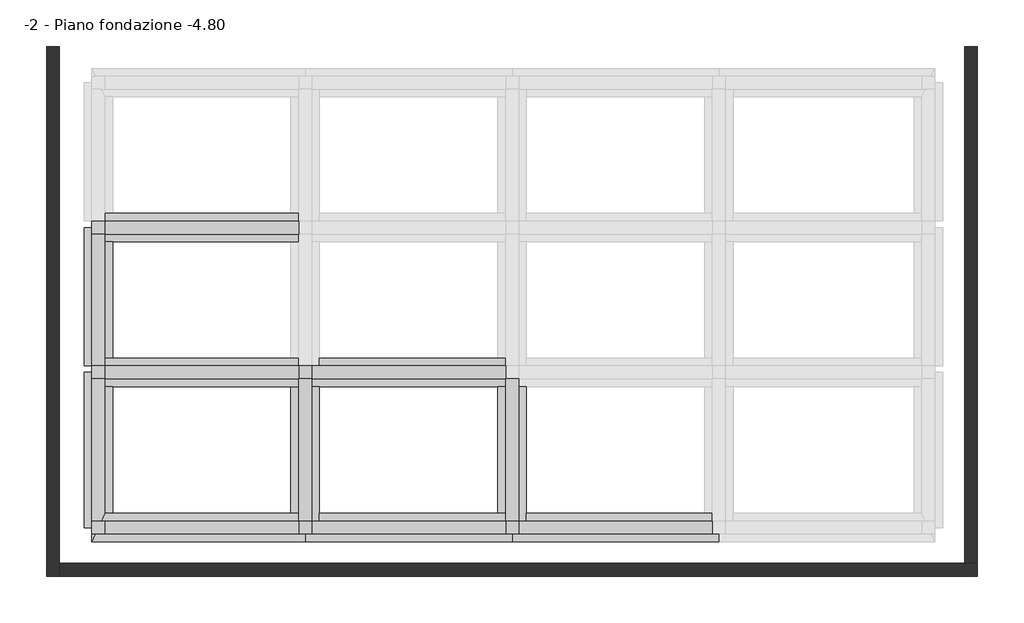
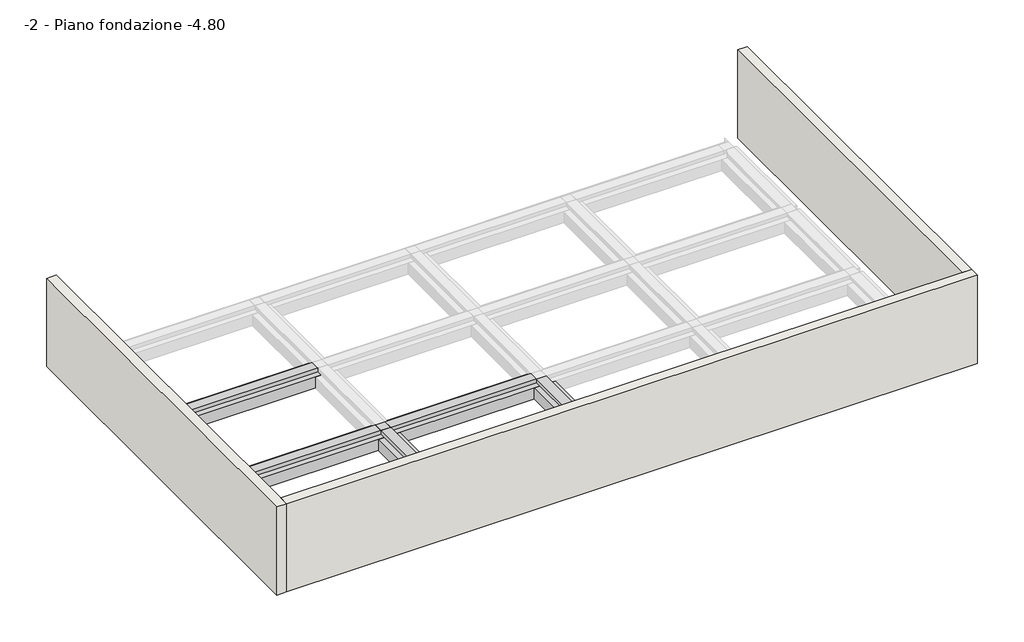
# One storey, part 1 of 3: 20 beams, 6 columns, 3 walls.
"""IFC4 building model written with IfcOpenShell, lengths in millimetres."""

import ifcopenshell
import ifcopenshell.guid

model = None  # the IFC model being written
_history = None  # IfcOwnerHistory: only IFC2X3 demands one
_inside = {}  # id of a spatial element -> (the spatial element, [elements in it])
_under = {}  # id of a project, library or spatial element -> (it, [spatial elements below it])
_declared = {}  # id of a project -> (the project, [libraries it declares])
_typed = {}  # id of a type object -> (the type object, [elements of that type])
_made_of = {}  # id of a material, layer set ... -> (it, [elements and type objects made of it])


def new_model(schema):
    """Start an empty IFC model of exactly this schema.

    Asked for "IFC4X3", IfcOpenShell would pick the latest addendum, in which some entities
    have other attributes; the version numbers below select the first issue.
    IFC2X3 requires an IfcOwnerHistory on every rooted entity: one is made here for all.
    """
    global model, _history
    if schema == "IFC4X3":
        model = ifcopenshell.file(schema_version=(4, 3, 0, 0))
    else:
        model = ifcopenshell.file(schema=schema)
    _inside.clear()
    _under.clear()
    _declared.clear()
    _typed.clear()
    _made_of.clear()
    _history = None
    if model.schema == "IFC2X3":
        org = make("IfcOrganization", Name="unknown")
        user = make(
            "IfcPersonAndOrganization",
            ThePerson=make("IfcPerson", FamilyName="unknown"),
            TheOrganization=org,
        )
        app = make(
            "IfcApplication",
            ApplicationDeveloper=org,
            Version="unknown",
            ApplicationFullName="unknown",
            ApplicationIdentifier="unknown",
        )
        _history = make(
            "IfcOwnerHistory",
            OwningUser=user,
            OwningApplication=app,
            ChangeAction="ADDED",
            CreationDate=0,
        )
    return model


def make(cls, **values):
    """One entity of the class cls with the attributes given. An attribute that is None is left unset."""
    return model.create_entity(
        cls, **{name: value for name, value in values.items() if value is not None}
    )


def rooted(cls, **values):
    """An entity with a GlobalId (a new one), such as an element, a storey or a relation."""
    return make(cls, GlobalId=ifcopenshell.guid.new(), OwnerHistory=_history, **values)


def si_unit(unit_type, name, prefix=None):
    """IfcSIUnit, for example si_unit("LENGTHUNIT", "METRE", prefix="MILLI")."""
    return make("IfcSIUnit", UnitType=unit_type, Prefix=prefix, Name=name)


def assignment(units):
    """IfcUnitAssignment: the units of a project."""
    return None if units is None else make("IfcUnitAssignment", Units=units)


def point(xyz):
    """IfcCartesianPoint."""
    return None if xyz is None else make("IfcCartesianPoint", Coordinates=xyz)


def direction(xyz):
    """IfcDirection."""
    return None if xyz is None else make("IfcDirection", DirectionRatios=xyz)


def frame(location, z_axis=None, x_axis=None):
    """IfcAxis2Placement3D, a coordinate frame: its origin and axes. An axis left out is left unset."""
    return make(
        "IfcAxis2Placement3D",
        Location=point(location),
        Axis=direction(z_axis),
        RefDirection=direction(x_axis),
    )


def origin():
    """The frame at (0, 0, 0) with its axes left unset."""
    return frame((0.0, 0.0, 0.0))


def place(relative_to, where):
    """IfcLocalPlacement: puts the frame where relative to a parent placement (None: the world)."""
    return make(
        "IfcLocalPlacement", PlacementRelTo=relative_to, RelativePlacement=where
    )


def context(
    kind, dimensions, precision=None, world=None, true_north=None, identifier=None
):
    """IfcGeometricRepresentationContext, for example the 3D "Model" context."""
    return make(
        "IfcGeometricRepresentationContext",
        ContextIdentifier=identifier,
        ContextType=kind,
        CoordinateSpaceDimension=dimensions,
        Precision=precision,
        WorldCoordinateSystem=world,
        TrueNorth=true_north,
    )


def project(units=None, contexts=None):
    """IfcProject with its units and contexts."""
    return rooted(
        "IfcProject",
        Name="project",
        RepresentationContexts=contexts,
        UnitsInContext=assignment(units),
    )


def spatial(cls, under=None, at=None, **own):
    """A site, building, storey or space (cls), placed at a placement, below another one or the project."""
    s = rooted(cls, ObjectPlacement=at, **own)
    if under is not None:
        _under.setdefault(under.id(), (under, []))[1].append(s)
    return s


def polyline(points):
    """IfcPolyline through the points."""
    return make("IfcPolyline", Points=[point(p) for p in points])


def outline(outer, holes=None, kind="AREA"):
    """IfcArbitraryClosedProfileDef: a profile drawn as a closed curve; with holes, ...WithVoids."""
    if holes is None:
        return make("IfcArbitraryClosedProfileDef", ProfileType=kind, OuterCurve=outer)
    return make(
        "IfcArbitraryProfileDefWithVoids",
        ProfileType=kind,
        OuterCurve=outer,
        InnerCurves=holes,
    )


def extrude(swept, where, along, depth):
    """IfcExtrudedAreaSolid: the profile swept, set in the frame where, extruded along a direction by depth."""
    return make(
        "IfcExtrudedAreaSolid",
        SweptArea=swept,
        Position=where,
        ExtrudedDirection=direction(along),
        Depth=depth,
    )


def faces_of(points, faces, orient=None, outer=None):
    """IfcFace entities. A face is a list of loops; a loop is a list of indices into points, from 0.

    orient and outer hold one flag for each loop. By default every Orientation is true, the
    first loop of a face is its IfcFaceOuterBound and the others are IfcFaceBound.
    """
    made = []
    for i, loops in enumerate(faces):
        bounds = []
        for j, loop in enumerate(loops):
            is_outer = j == 0 if outer is None else outer[i][j]
            bounds.append(
                make(
                    "IfcFaceOuterBound" if is_outer else "IfcFaceBound",
                    Bound=make("IfcPolyLoop", Polygon=[points[k] for k in loop]),
                    Orientation=True if orient is None else orient[i][j],
                )
            )
        made.append(make("IfcFace", Bounds=bounds))
    return made


def faceted_brep(points, faces, orient=None, outer=None, voids=None):
    """IfcFacetedBrep: a solid bounded by flat faces; with voids (closed shells), ...WithVoids."""
    shared = [point(p) for p in points]
    hull = make("IfcClosedShell", CfsFaces=faces_of(shared, faces, orient, outer))
    if voids is None:
        return make("IfcFacetedBrep", Outer=hull)
    return make(
        "IfcFacetedBrepWithVoids",
        Outer=hull,
        Voids=[
            make(cls, CfsFaces=faces_of(shared, fs, o, b)) for cls, fs, o, b in voids
        ],
    )


def shape(context_of_items, identifier, shape_type, items):
    """IfcShapeRepresentation: the items that make up one representation, for example the "Body"."""
    return make(
        "IfcShapeRepresentation",
        ContextOfItems=context_of_items,
        RepresentationIdentifier=identifier,
        RepresentationType=shape_type,
        Items=items,
    )


def made_of(thing, what):
    """Note that an element or type object is made of a material, layer set ...; save() writes the relation."""
    if what is not None:
        _made_of.setdefault(what.id(), (what, []))[1].append(thing)
    return thing


def element(
    cls,
    number,
    at=None,
    inside=None,
    cuts=None,
    type_object=None,
    material=None,
    context=None,
    identifier="Body",
    shape_type=None,
    held_by="IfcProductDefinitionShape",
    body=None,
    shapes=None,
    **own,
):
    """One element of the class cls, such as IfcWall. Its Tag is "e" and its number.

    at: its placement. inside: the storey or other place that contains it. cuts: it is an
    opening in that element (IfcRelVoidsElement). A single representation is given by context,
    identifier, shape_type and body (its items); several are given by shapes. held_by: the class
    of the entity that holds the representations. save() writes the other relations.
    """
    e = rooted(cls, Tag="e%d" % number, ObjectPlacement=at, **own)
    if body is not None:
        shapes = [shape(context, identifier, shape_type, body)]
    if shapes is not None:
        e.Representation = make(held_by, Representations=shapes)
    if inside is not None:
        _inside.setdefault(inside.id(), (inside, []))[1].append(e)
    if cuts is not None:
        rooted(
            "IfcRelVoidsElement", RelatingBuildingElement=cuts, RelatedOpeningElement=e
        )
    if type_object is not None:
        _typed.setdefault(type_object.id(), (type_object, []))[1].append(e)
    return made_of(e, material)


def aggregate(whole, parts):
    """IfcRelAggregates: a whole, such as a stair, and the parts it consists of."""
    return rooted("IfcRelAggregates", RelatingObject=whole, RelatedObjects=parts)


def save(model, path):
    """Write the relations noted so far, then the file.

    IfcRelAggregates (storeys below a building ...), IfcRelContainedInSpatialStructure (elements
    in a storey), IfcRelDefinesByType, IfcRelAssociatesMaterial and IfcRelDeclares: one each for
    every whole, place, type object, material and project.
    """
    for whole, parts in _under.values():
        aggregate(whole, parts)
    for where, things in _inside.values():
        rooted(
            "IfcRelContainedInSpatialStructure",
            RelatedElements=things,
            RelatingStructure=where,
        )
    for kind, things in _typed.values():
        rooted("IfcRelDefinesByType", RelatedObjects=things, RelatingType=kind)
    for what, things in _made_of.values():
        rooted("IfcRelAssociatesMaterial", RelatedObjects=things, RelatingMaterial=what)
    for by, libraries in _declared.values():
        rooted("IfcRelDeclares", RelatingContext=by, RelatedDefinitions=libraries)
    model.write(path)


model = new_model("IFC4")

# Units and contexts
model_context = context("Model", 3, world=origin())
ifc_project = project(units=[si_unit("LENGTHUNIT", "METRE", prefix="MILLI")], contexts=[model_context])

# Site, building, storey
site = spatial("IfcSite", under=ifc_project)
building = spatial("IfcBuilding", under=site)
storey = spatial("IfcBuildingStorey", under=building, Name="-2 - Piano fondazione -4.80", Elevation=-4800.0)

# Beams
placement = place(None, origin())
element("IfcBeam", 1, ObjectType="3M - Trave in cls - Rettangolare : 3M 1100 x600mm 2", at=placement, inside=storey, context=model_context, shape_type="Brep", body=[
    faceted_brep([(-12706.7371142, 140.094284, -4100.0), (-13256.7371142, 140.094284, -4100.0), (-20156.7371141, 140.094284, -4100.0), (-20706.7371141, 140.094284, -4100.0), (-20706.7371141, -147.205716, -4100.0), (-20706.7371141, -159.905716, -4100.0), (-20456.7371141, -159.905716, -4100.0), (-20456.7371141, -659.905716, -4100.0), (-20706.7371141, -659.905716, -4100.0), (-20706.7371141, -959.905716, -4100.0), (-20156.7371141, -959.905716, -4100.0), (-13256.7371142, -959.905716, -4100.0), (-12706.7371142, -959.905716, -4100.0), (-12706.7371142, -659.905716, -4100.0), (-12956.7371142, -659.905716, -4100.0), (-12956.7371142, -159.905716, -4100.0), (-12706.7371142, -159.905716, -4100.0), (-20706.7371141, -959.905716, -4700.0), (-20156.7371141, -959.905716, -4700.0), (-13256.7371142, -959.905716, -4700.0), (-12706.7371142, -959.905716, -4700.0), (-20706.7371141, -659.905716, -4700.0), (-20456.7371141, -659.905716, -4700.0), (-20456.7371141, -159.905716, -4700.0), (-20706.7371141, -159.905716, -4700.0), (-20706.7371141, -147.205716, -4700.0), (-20706.7371141, 140.094284, -4700.0), (-20156.7371141, 140.094284, -4700.0), (-13256.7371142, 140.094284, -4700.0), (-12706.7371142, 140.094284, -4700.0), (-12706.7371142, -159.905716, -4700.0), (-12956.7371142, -159.905716, -4700.0), (-12956.7371142, -659.905716, -4700.0), (-12706.7371142, -659.905716, -4700.0), (-20706.7371141, -159.905716, -4200.0)], [[[0, 1, 2, 3, 4, 5, 6, 7, 8, 9, 10, 11, 12, 13, 14, 15, 16]], [[12, 11, 10, 9, 17, 18, 19, 20]], [[20, 19, 18, 17, 21, 22, 23, 24, 25, 26, 27, 28, 29, 30, 31, 32, 33]], [[3, 2, 1, 0, 29, 28, 27, 26]], [[22, 7, 6, 23]], [[7, 22, 21, 8]], [[23, 6, 5, 34, 24]], [[32, 14, 13, 33]], [[14, 32, 31, 15]], [[15, 31, 30, 16]], [[3, 26, 25, 24, 34, 5, 4]], [[12, 20, 33, 13]], [[17, 9, 8, 21]], [[29, 0, 16, 30]]]),
])
element("IfcBeam", 2, ObjectType="3M - Trave in cls - Rettangolare : 3M 1100 x600mm 2", at=placement, inside=storey, context=model_context, shape_type="Brep", body=[
    faceted_brep([(-12706.7371142, -5459.905716, -4100.0), (-13256.7371142, -5459.905716, -4100.0), (-20156.7371141, -5459.905716, -4100.0), (-20706.7371141, -5459.905716, -4100.0), (-20706.7371141, -5747.205716, -4100.0), (-20706.7371141, -5759.905716, -4100.0), (-20456.7371141, -5759.905716, -4100.0), (-20456.7371141, -6259.905716, -4100.0), (-20706.7371141, -6259.905716, -4100.0), (-20706.7371141, -6559.905716, -4100.0), (-20156.7371141, -6559.905716, -4100.0), (-13256.7371142, -6559.905716, -4100.0), (-12706.7371142, -6559.905716, -4100.0), (-12706.7371142, -6259.905716, -4100.0), (-12956.7371142, -6259.905716, -4100.0), (-12956.7371142, -5759.905716, -4100.0), (-12706.7371142, -5759.905716, -4100.0), (-20706.7371141, -6559.905716, -4700.0), (-20156.7371141, -6559.905716, -4700.0), (-13256.7371142, -6559.905716, -4700.0), (-12706.7371142, -6559.905716, -4700.0), (-20706.7371141, -6259.905716, -4700.0), (-20456.7371141, -6259.905716, -4700.0), (-20456.7371141, -5759.905716, -4700.0), (-20706.7371141, -5759.905716, -4700.0), (-20706.7371141, -5747.205716, -4700.0), (-20706.7371141, -5459.905716, -4700.0), (-20156.7371141, -5459.905716, -4700.0), (-13256.7371142, -5459.905716, -4700.0), (-12706.7371142, -5459.905716, -4700.0), (-12706.7371142, -5759.905716, -4700.0), (-12956.7371142, -5759.905716, -4700.0), (-12956.7371142, -6259.905716, -4700.0), (-12706.7371142, -6259.905716, -4700.0), (-20706.7371141, -5759.905716, -4200.0)], [[[0, 1, 2, 3, 4, 5, 6, 7, 8, 9, 10, 11, 12, 13, 14, 15, 16]], [[12, 11, 10, 9, 17, 18, 19, 20]], [[20, 19, 18, 17, 21, 22, 23, 24, 25, 26, 27, 28, 29, 30, 31, 32, 33]], [[3, 2, 1, 0, 29, 28, 27, 26]], [[22, 7, 6, 23]], [[7, 22, 21, 8]], [[23, 6, 5, 34, 24]], [[32, 14, 13, 33]], [[14, 32, 31, 15]], [[15, 31, 30, 16]], [[3, 26, 25, 24, 34, 5, 4]], [[12, 20, 33, 13]], [[17, 9, 8, 21]], [[29, 0, 16, 30]]]),
])
element("IfcBeam", 3, ObjectType="3M - Trave in cls - Rettangolare : 3M 1100 x600mm 2", at=placement, inside=storey, context=model_context, shape_type="Brep", body=[
    faceted_brep([(-12706.7371142, -6559.905716, -4100.0), (-12156.7371142, -6559.905716, -4100.0), (-5256.7371142, -6559.905716, -4100.0), (-4706.7371142, -6559.905716, -4100.0), (-4706.7371142, -6259.905716, -4100.0), (-4956.7371142, -6259.905716, -4100.0), (-4956.7371142, -5759.905716, -4100.0), (-4706.7371142, -5759.905716, -4100.0), (-4706.7371142, -5459.905716, -4100.0), (-5256.7371142, -5459.905716, -4100.0), (-12156.7371142, -5459.905716, -4100.0), (-12156.7371142, -6009.905716, -4100.0), (-12456.7371142, -6009.905716, -4100.0), (-12456.7371142, -6259.905716, -4100.0), (-12706.7371142, -6259.905716, -4100.0), (-12706.7371142, -6559.905716, -4700.0), (-12156.7371142, -6559.905716, -4700.0), (-5256.7371142, -6559.905716, -4700.0), (-4706.7371142, -6559.905716, -4700.0), (-12706.7371142, -6259.905716, -4700.0), (-12456.7371142, -6259.905716, -4700.0), (-12456.7371142, -6009.905716, -4700.0), (-12156.7371142, -6009.905716, -4700.0), (-12156.7371142, -5459.905716, -4700.0), (-5256.7371142, -5459.905716, -4700.0), (-4706.7371142, -5459.905716, -4700.0), (-4706.7371142, -5759.905716, -4700.0), (-4956.7371142, -5759.905716, -4700.0), (-4956.7371142, -6259.905716, -4700.0), (-4706.7371142, -6259.905716, -4700.0)], [[[0, 1, 2, 3, 4, 5, 6, 7, 8, 9, 10, 11, 12, 13, 14]], [[3, 2, 1, 0, 15, 16, 17, 18]], [[18, 17, 16, 15, 19, 20, 21, 22, 23, 24, 25, 26, 27, 28, 29]], [[8, 25, 24, 23, 10, 9]], [[22, 11, 10, 23]], [[28, 5, 4, 29]], [[5, 28, 27, 6]], [[6, 27, 26, 7]], [[15, 0, 14, 19]], [[3, 18, 29, 4]], [[11, 22, 21, 12]], [[25, 8, 7, 26]], [[20, 13, 12, 21]], [[13, 20, 19, 14]]]),
])
element("IfcBeam", 4, ObjectType="3M - Trave in cls - Rettangolare : 3M 1100 x600mm 2", at=placement, inside=storey, context=model_context, shape_type="Brep", body=[
    faceted_brep([(-12706.7371142, -11459.905716, -4100.0), (-13256.7371142, -11459.905716, -4100.0), (-20156.7371142, -11459.905716, -4100.0), (-20456.7371142, -11459.905716, -4100.0), (-20593.1007505, -11759.905716, -4100.0), (-20456.7371142, -11759.905716, -4100.0), (-20456.7371142, -12259.905716, -4100.0), (-20820.3734778, -12259.905716, -4100.0), (-20956.7371142, -12559.905716, -4100.0), (-12706.7371142, -12559.905716, -4100.0), (-12706.7371142, -12259.905716, -4100.0), (-12956.7371142, -12259.905716, -4100.0), (-12956.7371142, -11759.905716, -4100.0), (-12706.7371142, -11759.905716, -4100.0), (-20956.7371142, -12559.905716, -4700.0), (-12706.7371142, -12559.905716, -4700.0), (-20820.3734778, -12259.905716, -4700.0), (-20456.7371142, -12259.905716, -4700.0), (-20456.7371142, -11759.905716, -4700.0), (-20593.1007505, -11759.905716, -4700.0), (-20456.7371142, -11459.905716, -4700.0), (-20156.7371142, -11459.905716, -4700.0), (-13256.7371142, -11459.905716, -4700.0), (-12706.7371142, -11459.905716, -4700.0), (-12706.7371142, -11759.905716, -4700.0), (-12956.7371142, -11759.905716, -4700.0), (-12956.7371142, -12259.905716, -4700.0), (-12706.7371142, -12259.905716, -4700.0), (-20820.3734778, -12259.905716, -4200.0)], [[[0, 1, 2, 3, 4, 5, 6, 7, 8, 9, 10, 11, 12, 13]], [[9, 8, 14, 15]], [[15, 14, 16, 17, 18, 19, 20, 21, 22, 23, 24, 25, 26, 27]], [[3, 2, 1, 0, 23, 22, 21, 20]], [[17, 6, 5, 18]], [[6, 17, 16, 28, 7]], [[18, 5, 4, 19]], [[26, 11, 10, 27]], [[11, 26, 25, 12]], [[12, 25, 24, 13]], [[14, 8, 7, 28, 16]], [[23, 0, 13, 24]], [[3, 20, 19, 4]], [[9, 15, 27, 10]]]),
])
element("IfcBeam", 5, ObjectType="3M - Trave in cls - Rettangolare : 3M 1100 x600mm 2", at=placement, inside=storey, context=model_context, shape_type="Brep", body=[
    faceted_brep([(-12706.7371142, -12559.905716, -4100.0), (-4706.7371142, -12559.905716, -4100.0), (-4706.7371142, -12259.905716, -4100.0), (-4956.7371142, -12259.905716, -4100.0), (-4956.7371142, -11759.905716, -4100.0), (-4706.7371142, -11759.905716, -4100.0), (-4706.7371142, -11459.905716, -4100.0), (-5256.7371142, -11459.905716, -4100.0), (-12156.7371142, -11459.905716, -4100.0), (-12156.7371142, -12009.905716, -4100.0), (-12456.7371142, -12009.905716, -4100.0), (-12456.7371142, -12259.905716, -4100.0), (-12706.7371142, -12259.905716, -4100.0), (-12706.7371142, -12559.905716, -4700.0), (-4706.7371142, -12559.905716, -4700.0), (-12706.7371142, -12259.905716, -4700.0), (-12456.7371142, -12259.905716, -4700.0), (-12456.7371142, -12009.905716, -4700.0), (-12156.7371142, -12009.905716, -4700.0), (-12156.7371142, -11459.905716, -4700.0), (-5256.7371142, -11459.905716, -4700.0), (-4706.7371142, -11459.905716, -4700.0), (-4706.7371142, -11759.905716, -4700.0), (-4956.7371142, -11759.905716, -4700.0), (-4956.7371142, -12259.905716, -4700.0), (-4706.7371142, -12259.905716, -4700.0)], [[[0, 1, 2, 3, 4, 5, 6, 7, 8, 9, 10, 11, 12]], [[1, 0, 13, 14]], [[14, 13, 15, 16, 17, 18, 19, 20, 21, 22, 23, 24, 25]], [[6, 21, 20, 19, 8, 7]], [[18, 9, 8, 19]], [[24, 3, 2, 25]], [[3, 24, 23, 4]], [[4, 23, 22, 5]], [[13, 0, 12, 15]], [[21, 6, 5, 22]], [[9, 18, 17, 10]], [[1, 14, 25, 2]], [[16, 11, 10, 17]], [[11, 16, 15, 12]]]),
])
element("IfcBeam", 6, ObjectType="3M - Trave in cls - Rettangolare : 3M 1100 x600mm 2", at=placement, inside=storey, context=model_context, shape_type="Brep", body=[
    faceted_brep([(-4706.7371142, -12559.905716, -4100.0), (3293.2628858, -12559.905716, -4100.0), (3293.2628858, -12259.905716, -4100.0), (3043.2628858, -12259.905716, -4100.0), (3043.2628858, -11759.905716, -4100.0), (3293.2628858, -11759.905716, -4100.0), (3293.2628858, -11459.905716, -4100.0), (2743.2628858, -11459.905716, -4100.0), (-4156.7371142, -11459.905716, -4100.0), (-4156.7371142, -12009.905716, -4100.0), (-4456.7371142, -12009.905716, -4100.0), (-4456.7371142, -12259.905716, -4100.0), (-4706.7371142, -12259.905716, -4100.0), (-4706.7371142, -12559.905716, -4700.0), (3293.2628858, -12559.905716, -4700.0), (-4706.7371142, -12259.905716, -4700.0), (-4456.7371142, -12259.905716, -4700.0), (-4456.7371142, -12009.905716, -4700.0), (-4156.7371142, -12009.905716, -4700.0), (-4156.7371142, -11459.905716, -4700.0), (2743.2628858, -11459.905716, -4700.0), (3293.2628858, -11459.905716, -4700.0), (3293.2628858, -11759.905716, -4700.0), (3043.2628858, -11759.905716, -4700.0), (3043.2628858, -12259.905716, -4700.0), (3293.2628858, -12259.905716, -4700.0)], [[[0, 1, 2, 3, 4, 5, 6, 7, 8, 9, 10, 11, 12]], [[1, 0, 13, 14]], [[14, 13, 15, 16, 17, 18, 19, 20, 21, 22, 23, 24, 25]], [[6, 21, 20, 19, 8, 7]], [[24, 3, 2, 25]], [[3, 24, 23, 4]], [[4, 23, 22, 5]], [[18, 9, 8, 19]], [[13, 0, 12, 15]], [[21, 6, 5, 22]], [[1, 14, 25, 2]], [[9, 18, 17, 10]], [[16, 11, 10, 17]], [[11, 16, 15, 12]]]),
])
element("IfcBeam", 7, ObjectType="3M - Trave in cls - Rettangolare : 3M 1100 x600mm 2", at=placement, inside=storey, context=model_context, shape_type="Brep", body=[
    faceted_brep([(-21256.7371141, -5747.205716, -4100.0), (-21256.7371141, -5747.205716, -4700.0), (-20706.7371141, -5747.205716, -4700.0), (-20706.7371141, -5747.205716, -4200.0), (-20706.7371141, -5747.205716, -4100.0), (-20956.7371141, -5747.205716, -4100.0), (-21256.7371141, -409.905716, -4100.0), (-20706.7371141, -5459.905716, -4100.0), (-20156.7371141, -5459.905716, -4100.0), (-20156.7371141, -959.905716, -4100.0), (-20706.7371141, -959.905716, -4100.0), (-20706.7371141, -659.905716, -4100.0), (-20956.7371141, -659.905716, -4100.0), (-20956.7371141, -409.905716, -4100.0), (-21256.7371141, -409.905716, -4700.0), (-20956.7371141, -409.905716, -4700.0), (-20956.7371141, -659.905716, -4700.0), (-20706.7371141, -659.905716, -4700.0), (-20706.7371141, -959.905716, -4700.0), (-20156.7371141, -959.905716, -4700.0), (-20156.7371141, -5459.905716, -4700.0), (-20706.7371141, -5459.905716, -4700.0)], [[[0, 1, 2, 3, 4, 5]], [[6, 0, 5, 4, 7, 8, 9, 10, 11, 12, 13]], [[1, 0, 6, 14]], [[1, 14, 15, 16, 17, 18, 19, 20, 21, 2]], [[19, 9, 8, 20]], [[10, 9, 19, 18]], [[8, 7, 21, 20]], [[14, 6, 13, 15]], [[10, 18, 17, 11]], [[21, 7, 4, 3, 2]], [[16, 12, 11, 17]], [[12, 16, 15, 13]]]),
])
element("IfcBeam", 8, ObjectType="3M - Trave in cls - Rettangolare : 3M 1100 x600mm 2", at=placement, inside=storey, context=model_context, shape_type="SweptSolid", body=[
    extrude(outline(polyline([(-21256.7371142, -12009.905716), (-21256.7371141, -6009.905716), (-20956.7371141, -6009.905716), (-20956.7371141, -6259.905716), (-20706.7371141, -6259.905716), (-20706.7371141, -6559.905716), (-20156.7371141, -6559.905716), (-20156.7371142, -11459.905716), (-20456.7371142, -11459.905716), (-20593.1007505, -11759.905716), (-20956.7371142, -11759.905716), (-20956.7371142, -12009.905716), (-21256.7371142, -12009.905716)])), frame((0.0, 0.0, -4700.0), z_axis=(0.0, 0.0, 1.0), x_axis=(1.0, 0.0, 0.0)), (0.0, 0.0, 1.0), 600.0),
])
element("IfcBeam", 9, ObjectType="3M - Trave in cls - Rettangolare : 3M 1100 x600mm 2", at=placement, inside=storey, context=model_context, shape_type="Brep", body=[
    faceted_brep([(-12156.7371142, -12009.905716, -4100.0), (-12156.7371142, -11459.905716, -4100.0), (-12156.7371142, -6559.905716, -4100.0), (-12706.7371142, -6559.905716, -4100.0), (-13256.7371142, -6559.905716, -4100.0), (-13256.7371142, -11459.905716, -4100.0), (-12706.7371142, -11459.905716, -4100.0), (-12706.7371142, -11759.905716, -4100.0), (-12456.7371142, -11759.905716, -4100.0), (-12456.7371142, -12009.905716, -4100.0), (-13256.7371142, -6559.905716, -4700.0), (-13256.7371142, -11459.905716, -4700.0), (-12156.7371142, -6559.905716, -4700.0), (-12156.7371142, -11459.905716, -4700.0), (-12156.7371142, -12009.905716, -4700.0), (-12456.7371142, -12009.905716, -4700.0), (-12456.7371142, -11759.905716, -4700.0), (-12706.7371142, -11759.905716, -4700.0), (-12706.7371142, -11459.905716, -4700.0), (-12706.7371142, -6559.905716, -4700.0)], [[[0, 1, 2, 3, 4, 5, 6, 7, 8, 9]], [[4, 10, 11, 5]], [[12, 13, 14, 15, 16, 17, 18, 11, 10, 19]], [[0, 14, 13, 12, 2, 1]], [[10, 4, 3, 2, 12, 19]], [[5, 11, 18, 6]], [[14, 0, 9, 15]], [[6, 18, 17, 7]], [[8, 16, 15, 9]], [[16, 8, 7, 17]]]),
])
element("IfcBeam", 10, ObjectType="3M - Trave in cls - Rettangolare : 3M 1100 x600mm 2", at=placement, inside=storey, context=model_context, shape_type="Brep", body=[
    faceted_brep([(-4156.7371142, -12009.905716, -4100.0), (-4156.7371142, -11459.905716, -4100.0), (-4156.7371142, -6559.905716, -4100.0), (-4706.7371142, -6559.905716, -4100.0), (-5256.7371142, -6559.905716, -4100.0), (-5256.7371142, -11459.905716, -4100.0), (-4706.7371142, -11459.905716, -4100.0), (-4706.7371142, -11759.905716, -4100.0), (-4456.7371142, -11759.905716, -4100.0), (-4456.7371142, -12009.905716, -4100.0), (-5256.7371142, -6559.905716, -4700.0), (-5256.7371142, -11459.905716, -4700.0), (-4156.7371142, -6559.905716, -4700.0), (-4156.7371142, -11459.905716, -4700.0), (-4156.7371142, -12009.905716, -4700.0), (-4456.7371142, -12009.905716, -4700.0), (-4456.7371142, -11759.905716, -4700.0), (-4706.7371142, -11759.905716, -4700.0), (-4706.7371142, -11459.905716, -4700.0), (-4706.7371142, -6559.905716, -4700.0)], [[[0, 1, 2, 3, 4, 5, 6, 7, 8, 9]], [[4, 10, 11, 5]], [[12, 13, 14, 15, 16, 17, 18, 11, 10, 19]], [[0, 14, 13, 12, 2, 1]], [[10, 4, 3, 2, 12, 19]], [[5, 11, 18, 6]], [[14, 0, 9, 15]], [[6, 18, 17, 7]], [[8, 16, 15, 9]], [[16, 8, 7, 17]]]),
])
element("IfcBeam", 11, ObjectType="3M - Trave in cls - Rettangolare : 3M 500 x600mm", at=placement, inside=storey, context=model_context, shape_type="SweptSolid", body=[
    extrude(outline(polyline([(-20456.7371141, -659.905716), (-20456.7371141, -159.905716), (-12956.7371142, -159.905716), (-12956.7371142, -659.905716), (-20456.7371141, -659.905716)])), frame((0.0, 0.0, -4100.0), z_axis=(0.0, 0.0, 1.0), x_axis=(1.0, 0.0, 0.0)), (0.0, 0.0, 1.0), 200.0),
])
element("IfcBeam", 12, ObjectType="3M - Trave in cls - Rettangolare : 3M 500 x600mm", at=placement, inside=storey, context=model_context, shape_type="SweptSolid", body=[
    extrude(outline(polyline([(-20456.7371141, -6259.905716), (-20456.7371141, -5759.905716), (-12956.7371142, -5759.905716), (-12956.7371142, -6259.905716), (-20456.7371141, -6259.905716)])), frame((0.0, 0.0, -4100.0), z_axis=(0.0, 0.0, 1.0), x_axis=(1.0, 0.0, 0.0)), (0.0, 0.0, 1.0), 200.0),
])
element("IfcBeam", 13, ObjectType="3M - Trave in cls - Rettangolare : 3M 500 x600mm", at=placement, inside=storey, context=model_context, shape_type="Brep", body=[
    faceted_brep([(-12456.7371142, -6259.905716, -4100.0), (-4956.7371142, -6259.905716, -4100.0), (-4956.7371142, -6259.905716, -3900.0), (-12456.7371142, -6259.905716, -3900.0), (-4956.7371142, -5759.905716, -4100.0), (-12456.7371142, -5759.905716, -4100.0), (-12456.7371142, -5759.905716, -3900.0), (-4956.7371142, -5759.905716, -3900.0), (-12456.7371142, -6009.905716, -4100.0)], [[[0, 1, 2, 3]], [[4, 5, 6, 7]], [[5, 8, 0, 3, 6]], [[0, 8, 5, 4, 1]], [[1, 4, 7, 2]], [[3, 2, 7, 6]]]),
])
element("IfcBeam", 14, ObjectType="3M - Trave in cls - Rettangolare : 3M 500 x600mm", at=placement, inside=storey, context=model_context, shape_type="SweptSolid", body=[
    extrude(outline(polyline([(-20456.7371142, -12259.905716), (-20456.7371142, -11759.905716), (-12956.7371142, -11759.905716), (-12956.7371142, -12259.905716), (-20456.7371142, -12259.905716)])), frame((0.0, 0.0, -4100.0), z_axis=(0.0, 0.0, 1.0), x_axis=(1.0, 0.0, 0.0)), (0.0, 0.0, 1.0), 200.0),
])
element("IfcBeam", 15, ObjectType="3M - Trave in cls - Rettangolare : 3M 500 x600mm", at=placement, inside=storey, context=model_context, shape_type="Brep", body=[
    faceted_brep([(-12456.7371142, -12259.905716, -4100.0), (-4956.7371142, -12259.905716, -4100.0), (-4956.7371142, -12259.905716, -3900.0), (-12456.7371142, -12259.905716, -3900.0), (-4956.7371142, -11759.905716, -4100.0), (-12456.7371142, -11759.905716, -4100.0), (-12456.7371142, -11759.905716, -3900.0), (-4956.7371142, -11759.905716, -3900.0), (-12456.7371142, -12009.905716, -4100.0)], [[[0, 1, 2, 3]], [[4, 5, 6, 7]], [[5, 8, 0, 3, 6]], [[0, 8, 5, 4, 1]], [[1, 4, 7, 2]], [[3, 2, 7, 6]]]),
])
element("IfcBeam", 16, ObjectType="3M - Trave in cls - Rettangolare : 3M 500 x600mm", at=placement, inside=storey, context=model_context, shape_type="Brep", body=[
    faceted_brep([(-4456.7371142, -12259.905716, -4100.0), (3043.2628858, -12259.905716, -4100.0), (3043.2628858, -12259.905716, -3900.0), (-4456.7371142, -12259.905716, -3900.0), (3043.2628858, -11759.905716, -4100.0), (-4456.7371142, -11759.905716, -4100.0), (-4456.7371142, -11759.905716, -3900.0), (3043.2628858, -11759.905716, -3900.0), (-4456.7371142, -12009.905716, -4100.0)], [[[0, 1, 2, 3]], [[4, 5, 6, 7]], [[5, 8, 0, 3, 6]], [[0, 8, 5, 4, 1]], [[1, 4, 7, 2]], [[3, 2, 7, 6]]]),
])
element("IfcBeam", 17, ObjectType="3M - Trave in cls - Rettangolare : 3M 500 x600mm", at=placement, inside=storey, context=model_context, shape_type="Brep", body=[
    faceted_brep([(-20956.7371141, -5747.205716, -4100.0), (-20956.7371141, -5747.205716, -4200.0), (-20956.7371141, -5759.905716, -4200.0), (-20956.7371141, -5759.905716, -3900.0), (-20956.7371141, -659.905716, -3900.0), (-20956.7371141, -659.905716, -4100.0), (-20706.7371141, -5747.205716, -4200.0), (-20706.7371141, -5759.905716, -4200.0), (-20456.7371141, -5759.905716, -4100.0), (-20456.7371141, -659.905716, -4100.0), (-20456.7371141, -659.905716, -3900.0), (-20456.7371141, -5759.905716, -3900.0), (-20706.7371141, -659.905716, -4100.0), (-20706.7371141, -5747.205716, -4100.0), (-20706.7371141, -5759.905716, -4100.0)], [[[0, 1, 2, 3, 4, 5]], [[2, 1, 6, 7]], [[8, 9, 10, 11]], [[9, 12, 5, 4, 10]], [[1, 0, 13, 6]], [[0, 5, 12, 9, 8, 14, 13]], [[2, 7, 14, 8, 11, 3]], [[13, 14, 7, 6]], [[4, 3, 11, 10]]]),
])
element("IfcBeam", 18, ObjectType="3M - Trave in cls - Rettangolare : 3M 500 x600mm", at=placement, inside=storey, context=model_context, shape_type="Brep", body=[
    faceted_brep([(-20956.7371141, -6259.905716, -4100.0), (-20956.7371142, -11759.905716, -4100.0), (-20956.7371142, -11759.905716, -3900.0), (-20956.7371141, -6259.905716, -3900.0), (-20456.7371142, -11459.905716, -4100.0), (-20456.7371141, -6559.905716, -4100.0), (-20456.7371141, -6259.905716, -4100.0), (-20456.7371141, -6259.905716, -3900.0), (-20456.7371142, -11459.905716, -3900.0), (-20706.7371141, -6259.905716, -4100.0), (-20593.1007505, -11759.905716, -4100.0), (-20593.1007505, -11759.905716, -3900.0)], [[[0, 1, 2, 3]], [[4, 5, 6, 7, 8]], [[6, 9, 0, 3, 7]], [[5, 4, 10, 1, 0, 9, 6]], [[1, 10, 11, 2]], [[10, 4, 8, 11]], [[3, 2, 11, 8, 7]]]),
    faceted_brep([(-20820.3734778, -12259.905716, -4200.0), (-20956.7371142, -12559.905716, -4200.0), (-20956.7371142, -12259.905716, -4200.0), (-20820.3734778, -12259.905716, -4100.0), (-20820.3734778, -12259.905716, -3900.0), (-20956.7371142, -12559.905716, -3900.0), (-20956.7371142, -12559.905716, -4100.0), (-20956.7371142, -12259.905716, -3900.0)], [[[0, 1, 2]], [[1, 0, 3, 4, 5, 6]], [[0, 2, 7, 4, 3]], [[2, 1, 6, 5, 7]], [[5, 4, 7]]]),
])
element("IfcBeam", 19, ObjectType="3M - Trave in cls - Rettangolare : 3M 500 x600mm", at=placement, inside=storey, context=model_context, shape_type="Brep", body=[
    faceted_brep([(-12956.7371142, -6259.905716, -4100.0), (-12956.7371142, -11759.905716, -4100.0), (-12956.7371142, -11759.905716, -3900.0), (-12956.7371142, -6259.905716, -3900.0), (-12456.7371142, -11759.905716, -4100.0), (-12456.7371142, -6259.905716, -4100.0), (-12456.7371142, -6259.905716, -3900.0), (-12456.7371142, -11759.905716, -3900.0), (-12706.7371142, -6259.905716, -4100.0), (-12706.7371142, -11759.905716, -4100.0)], [[[0, 1, 2, 3]], [[4, 5, 6, 7]], [[5, 8, 0, 3, 6]], [[0, 8, 5, 4, 9, 1]], [[1, 9, 4, 7, 2]], [[3, 2, 7, 6]]]),
])
element("IfcBeam", 20, ObjectType="3M - Trave in cls - Rettangolare : 3M 500 x600mm", at=placement, inside=storey, context=model_context, shape_type="Brep", body=[
    faceted_brep([(-4956.7371142, -6259.905716, -4100.0), (-4956.7371142, -11759.905716, -4100.0), (-4956.7371142, -11759.905716, -3900.0), (-4956.7371142, -6259.905716, -3900.0), (-4456.7371142, -11759.905716, -4100.0), (-4456.7371142, -6259.905716, -4100.0), (-4456.7371142, -6259.905716, -3900.0), (-4456.7371142, -11759.905716, -3900.0), (-4706.7371142, -6259.905716, -4100.0), (-4706.7371142, -11759.905716, -4100.0)], [[[0, 1, 2, 3]], [[4, 5, 6, 7]], [[5, 8, 0, 3, 6]], [[0, 8, 5, 4, 9, 1]], [[1, 9, 4, 7, 2]], [[3, 2, 7, 6]]]),
])

# Columns
element("IfcColumn", 21, ObjectType="3M - Pilastro in cemento - Rettangolare : 50x50", at=placement, inside=storey, context=model_context, shape_type="Brep", body=[
    faceted_brep([(-20456.7371141, -159.905716, -4800.0), (-20456.7371141, -659.905716, -4800.0), (-20956.7371141, -659.905716, -4800.0), (-20956.7371141, -159.905716, -4800.0), (-20456.7371141, -159.905716, -4700.0), (-20456.7371141, -159.905716, -4100.0), (-20456.7371141, -159.905716, -3900.0), (-20456.7371141, -659.905716, -3900.0), (-20456.7371141, -659.905716, -4100.0), (-20456.7371141, -659.905716, -4700.0), (-20956.7371141, -659.905716, -3900.0), (-20956.7371141, -659.905716, -4100.0), (-20956.7371141, -659.905716, -4700.0), (-20956.7371141, -159.905716, -3900.0)], [[[0, 1, 2, 3]], [[1, 0, 4, 5, 6, 7, 8, 9]], [[2, 1, 9, 8, 7, 10, 11, 12]], [[3, 2, 12, 11, 10, 13]], [[0, 3, 13, 6, 5, 4]], [[7, 6, 13, 10]]]),
])
element("IfcColumn", 22, ObjectType="3M - Pilastro in cemento - Rettangolare : 50x50", at=placement, inside=storey, context=model_context, shape_type="Brep", body=[
    faceted_brep([(-20456.7371141, -5759.905716, -4800.0), (-20456.7371141, -6259.905716, -4800.0), (-20956.7371141, -6259.905716, -4800.0), (-20956.7371141, -5759.905716, -4800.0), (-20456.7371141, -5759.905716, -4700.0), (-20456.7371141, -5759.905716, -4100.0), (-20456.7371141, -5759.905716, -3900.0), (-20456.7371141, -6259.905716, -3900.0), (-20456.7371141, -6259.905716, -4100.0), (-20456.7371141, -6259.905716, -4700.0), (-20956.7371141, -6259.905716, -3900.0), (-20956.7371141, -6259.905716, -4100.0), (-20956.7371141, -6259.905716, -4700.0), (-20956.7371141, -5759.905716, -3900.0)], [[[0, 1, 2, 3]], [[1, 0, 4, 5, 6, 7, 8, 9]], [[2, 1, 9, 8, 7, 10, 11, 12]], [[3, 2, 12, 11, 10, 13]], [[0, 3, 13, 6, 5, 4]], [[7, 6, 13, 10]]]),
])
element("IfcColumn", 23, ObjectType="3M - Pilastro in cemento - Rettangolare : 50x50", at=placement, inside=storey, context=model_context, shape_type="Brep", body=[
    faceted_brep([(-12456.7371142, -5759.905716, -4800.0), (-12456.7371142, -6259.905716, -4800.0), (-12956.7371142, -6259.905716, -4800.0), (-12956.7371142, -5759.905716, -4800.0), (-12456.7371142, -5759.905716, -4700.0), (-12456.7371142, -5759.905716, -4100.0), (-12456.7371142, -5759.905716, -3900.0), (-12456.7371142, -6259.905716, -3900.0), (-12456.7371142, -6259.905716, -4100.0), (-12456.7371142, -6259.905716, -4700.0), (-12956.7371142, -6259.905716, -3900.0), (-12956.7371142, -6259.905716, -4100.0), (-12956.7371142, -6259.905716, -4700.0), (-12956.7371142, -5759.905716, -3900.0), (-12956.7371142, -5759.905716, -4100.0), (-12956.7371142, -5759.905716, -4700.0)], [[[0, 1, 2, 3]], [[1, 0, 4, 5, 6, 7, 8, 9]], [[2, 1, 9, 8, 7, 10, 11, 12]], [[3, 2, 12, 11, 10, 13, 14, 15]], [[0, 3, 15, 14, 13, 6, 5, 4]], [[7, 6, 13, 10]]]),
])
element("IfcColumn", 24, ObjectType="3M - Pilastro in cemento - Rettangolare : 50x50", at=placement, inside=storey, context=model_context, shape_type="Brep", body=[
    faceted_brep([(-20456.7371142, -11759.905716, -4800.0), (-20456.7371142, -12259.905716, -4800.0), (-20956.7371142, -12259.905716, -4800.0), (-20956.7371142, -11759.905716, -4800.0), (-20456.7371142, -11759.905716, -4700.0), (-20456.7371142, -11759.905716, -4100.0), (-20456.7371142, -11759.905716, -3900.0), (-20456.7371142, -12259.905716, -3900.0), (-20456.7371142, -12259.905716, -4100.0), (-20456.7371142, -12259.905716, -4700.0), (-20956.7371142, -12259.905716, -3900.0), (-20956.7371142, -11759.905716, -3900.0), (-20956.7371142, -11759.905716, -4100.0), (-20956.7371142, -11759.905716, -4700.0)], [[[0, 1, 2, 3]], [[1, 0, 4, 5, 6, 7, 8, 9]], [[2, 1, 9, 8, 7, 10]], [[3, 2, 10, 11, 12, 13]], [[0, 3, 13, 12, 11, 6, 5, 4]], [[7, 6, 11, 10]]]),
])
element("IfcColumn", 25, ObjectType="3M - Pilastro in cemento - Rettangolare : 50x50", at=placement, inside=storey, context=model_context, shape_type="Brep", body=[
    faceted_brep([(-12456.7371142, -11759.905716, -4800.0), (-12456.7371142, -12259.905716, -4800.0), (-12956.7371142, -12259.905716, -4800.0), (-12956.7371142, -11759.905716, -4800.0), (-12456.7371142, -11759.905716, -4700.0), (-12456.7371142, -11759.905716, -4100.0), (-12456.7371142, -11759.905716, -3900.0), (-12456.7371142, -12259.905716, -3900.0), (-12456.7371142, -12259.905716, -4100.0), (-12456.7371142, -12259.905716, -4700.0), (-12956.7371142, -12259.905716, -3900.0), (-12956.7371142, -12259.905716, -4100.0), (-12956.7371142, -12259.905716, -4700.0), (-12956.7371142, -11759.905716, -3900.0), (-12956.7371142, -11759.905716, -4100.0), (-12956.7371142, -11759.905716, -4700.0)], [[[0, 1, 2, 3]], [[1, 0, 4, 5, 6, 7, 8, 9]], [[2, 1, 9, 8, 7, 10, 11, 12]], [[3, 2, 12, 11, 10, 13, 14, 15]], [[0, 3, 15, 14, 13, 6, 5, 4]], [[7, 6, 13, 10]]]),
])
element("IfcColumn", 26, ObjectType="3M - Pilastro in cemento - Rettangolare : 50x50", at=placement, inside=storey, context=model_context, shape_type="Brep", body=[
    faceted_brep([(-4456.7371142, -11759.905716, -4800.0), (-4456.7371142, -12259.905716, -4800.0), (-4956.7371142, -12259.905716, -4800.0), (-4956.7371142, -11759.905716, -4800.0), (-4456.7371142, -11759.905716, -4700.0), (-4456.7371142, -11759.905716, -4100.0), (-4456.7371142, -11759.905716, -3900.0), (-4456.7371142, -12259.905716, -3900.0), (-4456.7371142, -12259.905716, -4100.0), (-4456.7371142, -12259.905716, -4700.0), (-4956.7371142, -12259.905716, -3900.0), (-4956.7371142, -12259.905716, -4100.0), (-4956.7371142, -12259.905716, -4700.0), (-4956.7371142, -11759.905716, -3900.0), (-4956.7371142, -11759.905716, -4100.0), (-4956.7371142, -11759.905716, -4700.0)], [[[0, 1, 2, 3]], [[1, 0, 4, 5, 6, 7, 8, 9]], [[2, 1, 9, 8, 7, 10, 11, 12]], [[3, 2, 12, 11, 10, 13, 14, 15]], [[0, 3, 15, 14, 13, 6, 5, 4]], [[7, 6, 13, 10]]]),
])

# Walls
element("IfcWall", 27, at=placement, inside=storey, context=model_context, shape_type="Brep", body=[
    faceted_brep([(-22709.5692782, 6590.094284, -4800.0), (-22709.5692782, -13895.9461405, -4800.0), (-22709.5692782, -13895.9461405, 0.0), (-22709.5692782, 6590.094284, 0.0), (-22209.5692782, 6590.094284, -4800.0), (-22209.5692782, 6590.094284, 0.0), (-22209.5692782, -13395.9461405, 0.0), (-22209.5692782, -13895.9461405, 0.0), (-22209.5692782, -13895.9461405, -4800.0), (-22209.5692782, -13395.9461405, -4800.0)], [[[0, 1, 2, 3]], [[4, 5, 6, 7, 8, 9]], [[1, 0, 4, 9, 8]], [[3, 2, 7, 6, 5]], [[0, 3, 5, 4]], [[2, 1, 8, 7]]]),
])
element("IfcWall", 28, at=placement, inside=storey, context=model_context, shape_type="Brep", body=[
    faceted_brep([(-22209.5692782, -13895.9461405, -4800.0), (13290.4307218, -13895.9461405, -4800.0), (13290.4307218, -13895.9461405, 0.0), (-22209.5692782, -13895.9461405, 0.0), (-22209.5692782, -13395.9461405, -4800.0), (-22209.5692782, -13395.9461405, 0.0), (12790.4307218, -13395.9461405, 0.0), (13290.4307218, -13395.9461405, 0.0), (13290.4307218, -13395.9461405, -4800.0), (12790.4307218, -13395.9461405, -4800.0)], [[[0, 1, 2, 3]], [[4, 5, 6, 7, 8, 9]], [[1, 0, 4, 9, 8]], [[3, 2, 7, 6, 5]], [[0, 3, 5, 4]], [[2, 1, 8, 7]]]),
])
element("IfcWall", 29, at=placement, inside=storey, context=model_context, shape_type="SweptSolid", body=[
    extrude(outline(polyline([(13290.4307218, 6590.094284), (13290.4307218, -13395.9461405), (12790.4307218, -13395.9461405), (12790.4307218, 6590.094284), (13290.4307218, 6590.094284)])), frame((0.0, 0.0, -4800.0), z_axis=(0.0, 0.0, 1.0), x_axis=(1.0, 0.0, 0.0)), (0.0, 0.0, 1.0), 4800.0),
])

save(model, "model.ifc")
